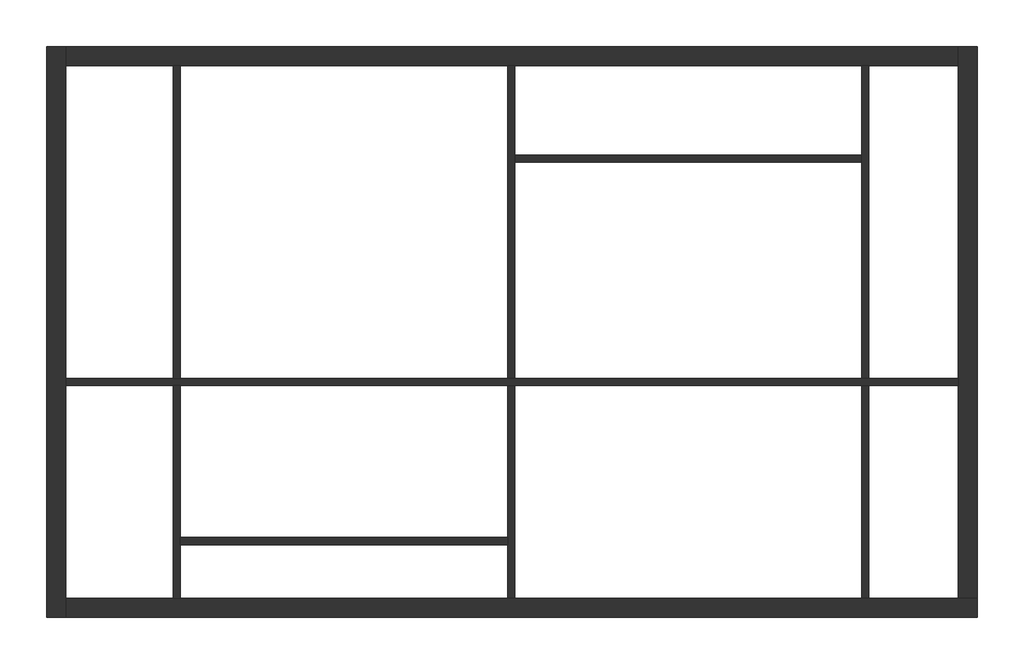
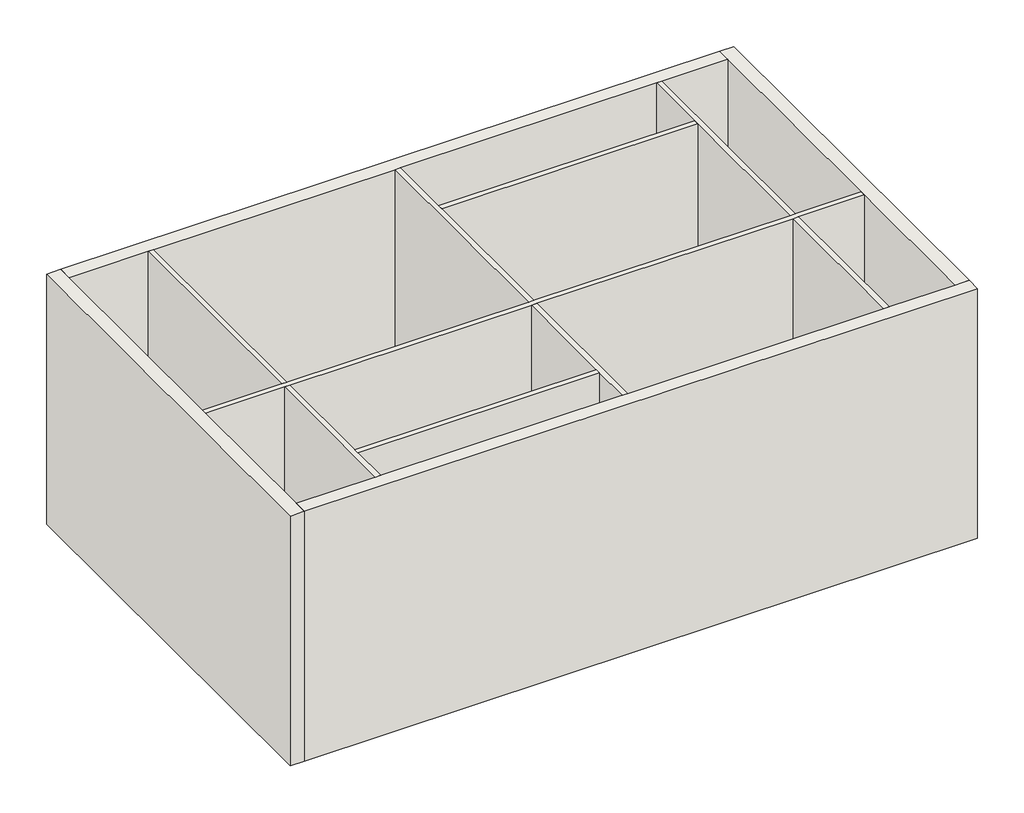
# One storey: 10 walls.
"""IFC4 building model written with IfcOpenShell, lengths in millimetres."""

import ifcopenshell
import ifcopenshell.guid

model = None  # the IFC model being written
_history = None  # IfcOwnerHistory: only IFC2X3 demands one
_inside = {}  # id of a spatial element -> (the spatial element, [elements in it])
_under = {}  # id of a project, library or spatial element -> (it, [spatial elements below it])
_declared = {}  # id of a project -> (the project, [libraries it declares])
_typed = {}  # id of a type object -> (the type object, [elements of that type])
_made_of = {}  # id of a material, layer set ... -> (it, [elements and type objects made of it])


def new_model(schema):
    """Start an empty IFC model of exactly this schema.

    Asked for "IFC4X3", IfcOpenShell would pick the latest addendum, in which some entities
    have other attributes; the version numbers below select the first issue.
    IFC2X3 requires an IfcOwnerHistory on every rooted entity: one is made here for all.
    """
    global model, _history
    if schema == "IFC4X3":
        model = ifcopenshell.file(schema_version=(4, 3, 0, 0))
    else:
        model = ifcopenshell.file(schema=schema)
    _inside.clear()
    _under.clear()
    _declared.clear()
    _typed.clear()
    _made_of.clear()
    _history = None
    if model.schema == "IFC2X3":
        org = make("IfcOrganization", Name="unknown")
        user = make(
            "IfcPersonAndOrganization",
            ThePerson=make("IfcPerson", FamilyName="unknown"),
            TheOrganization=org,
        )
        app = make(
            "IfcApplication",
            ApplicationDeveloper=org,
            Version="unknown",
            ApplicationFullName="unknown",
            ApplicationIdentifier="unknown",
        )
        _history = make(
            "IfcOwnerHistory",
            OwningUser=user,
            OwningApplication=app,
            ChangeAction="ADDED",
            CreationDate=0,
        )
    return model


def make(cls, **values):
    """One entity of the class cls with the attributes given. An attribute that is None is left unset."""
    return model.create_entity(
        cls, **{name: value for name, value in values.items() if value is not None}
    )


def rooted(cls, **values):
    """An entity with a GlobalId (a new one), such as an element, a storey or a relation."""
    return make(cls, GlobalId=ifcopenshell.guid.new(), OwnerHistory=_history, **values)


def si_unit(unit_type, name, prefix=None):
    """IfcSIUnit, for example si_unit("LENGTHUNIT", "METRE", prefix="MILLI")."""
    return make("IfcSIUnit", UnitType=unit_type, Prefix=prefix, Name=name)


def assignment(units):
    """IfcUnitAssignment: the units of a project."""
    return None if units is None else make("IfcUnitAssignment", Units=units)


def point(xyz):
    """IfcCartesianPoint."""
    return None if xyz is None else make("IfcCartesianPoint", Coordinates=xyz)


def direction(xyz):
    """IfcDirection."""
    return None if xyz is None else make("IfcDirection", DirectionRatios=xyz)


def frame(location, z_axis=None, x_axis=None):
    """IfcAxis2Placement3D, a coordinate frame: its origin and axes. An axis left out is left unset."""
    return make(
        "IfcAxis2Placement3D",
        Location=point(location),
        Axis=direction(z_axis),
        RefDirection=direction(x_axis),
    )


def origin():
    """The frame at (0, 0, 0) with its axes left unset."""
    return frame((0.0, 0.0, 0.0))


def place(relative_to, where):
    """IfcLocalPlacement: puts the frame where relative to a parent placement (None: the world)."""
    return make(
        "IfcLocalPlacement", PlacementRelTo=relative_to, RelativePlacement=where
    )


def context(
    kind, dimensions, precision=None, world=None, true_north=None, identifier=None
):
    """IfcGeometricRepresentationContext, for example the 3D "Model" context."""
    return make(
        "IfcGeometricRepresentationContext",
        ContextIdentifier=identifier,
        ContextType=kind,
        CoordinateSpaceDimension=dimensions,
        Precision=precision,
        WorldCoordinateSystem=world,
        TrueNorth=true_north,
    )


def project(units=None, contexts=None):
    """IfcProject with its units and contexts."""
    return rooted(
        "IfcProject",
        Name="project",
        RepresentationContexts=contexts,
        UnitsInContext=assignment(units),
    )


def spatial(cls, under=None, at=None, **own):
    """A site, building, storey or space (cls), placed at a placement, below another one or the project."""
    s = rooted(cls, ObjectPlacement=at, **own)
    if under is not None:
        _under.setdefault(under.id(), (under, []))[1].append(s)
    return s


def polyline(points):
    """IfcPolyline through the points."""
    return make("IfcPolyline", Points=[point(p) for p in points])


def outline(outer, holes=None, kind="AREA"):
    """IfcArbitraryClosedProfileDef: a profile drawn as a closed curve; with holes, ...WithVoids."""
    if holes is None:
        return make("IfcArbitraryClosedProfileDef", ProfileType=kind, OuterCurve=outer)
    return make(
        "IfcArbitraryProfileDefWithVoids",
        ProfileType=kind,
        OuterCurve=outer,
        InnerCurves=holes,
    )


def extrude(swept, where, along, depth):
    """IfcExtrudedAreaSolid: the profile swept, set in the frame where, extruded along a direction by depth."""
    return make(
        "IfcExtrudedAreaSolid",
        SweptArea=swept,
        Position=where,
        ExtrudedDirection=direction(along),
        Depth=depth,
    )


def faces_of(points, faces, orient=None, outer=None):
    """IfcFace entities. A face is a list of loops; a loop is a list of indices into points, from 0.

    orient and outer hold one flag for each loop. By default every Orientation is true, the
    first loop of a face is its IfcFaceOuterBound and the others are IfcFaceBound.
    """
    made = []
    for i, loops in enumerate(faces):
        bounds = []
        for j, loop in enumerate(loops):
            is_outer = j == 0 if outer is None else outer[i][j]
            bounds.append(
                make(
                    "IfcFaceOuterBound" if is_outer else "IfcFaceBound",
                    Bound=make("IfcPolyLoop", Polygon=[points[k] for k in loop]),
                    Orientation=True if orient is None else orient[i][j],
                )
            )
        made.append(make("IfcFace", Bounds=bounds))
    return made


def faceted_brep(points, faces, orient=None, outer=None, voids=None):
    """IfcFacetedBrep: a solid bounded by flat faces; with voids (closed shells), ...WithVoids."""
    shared = [point(p) for p in points]
    hull = make("IfcClosedShell", CfsFaces=faces_of(shared, faces, orient, outer))
    if voids is None:
        return make("IfcFacetedBrep", Outer=hull)
    return make(
        "IfcFacetedBrepWithVoids",
        Outer=hull,
        Voids=[
            make(cls, CfsFaces=faces_of(shared, fs, o, b)) for cls, fs, o, b in voids
        ],
    )


def shape(context_of_items, identifier, shape_type, items):
    """IfcShapeRepresentation: the items that make up one representation, for example the "Body"."""
    return make(
        "IfcShapeRepresentation",
        ContextOfItems=context_of_items,
        RepresentationIdentifier=identifier,
        RepresentationType=shape_type,
        Items=items,
    )


def made_of(thing, what):
    """Note that an element or type object is made of a material, layer set ...; save() writes the relation."""
    if what is not None:
        _made_of.setdefault(what.id(), (what, []))[1].append(thing)
    return thing


def element(
    cls,
    number,
    at=None,
    inside=None,
    cuts=None,
    type_object=None,
    material=None,
    context=None,
    identifier="Body",
    shape_type=None,
    held_by="IfcProductDefinitionShape",
    body=None,
    shapes=None,
    **own,
):
    """One element of the class cls, such as IfcWall. Its Tag is "e" and its number.

    at: its placement. inside: the storey or other place that contains it. cuts: it is an
    opening in that element (IfcRelVoidsElement). A single representation is given by context,
    identifier, shape_type and body (its items); several are given by shapes. held_by: the class
    of the entity that holds the representations. save() writes the other relations.
    """
    e = rooted(cls, Tag="e%d" % number, ObjectPlacement=at, **own)
    if body is not None:
        shapes = [shape(context, identifier, shape_type, body)]
    if shapes is not None:
        e.Representation = make(held_by, Representations=shapes)
    if inside is not None:
        _inside.setdefault(inside.id(), (inside, []))[1].append(e)
    if cuts is not None:
        rooted(
            "IfcRelVoidsElement", RelatingBuildingElement=cuts, RelatedOpeningElement=e
        )
    if type_object is not None:
        _typed.setdefault(type_object.id(), (type_object, []))[1].append(e)
    return made_of(e, material)


def aggregate(whole, parts):
    """IfcRelAggregates: a whole, such as a stair, and the parts it consists of."""
    return rooted("IfcRelAggregates", RelatingObject=whole, RelatedObjects=parts)


def save(model, path):
    """Write the relations noted so far, then the file.

    IfcRelAggregates (storeys below a building ...), IfcRelContainedInSpatialStructure (elements
    in a storey), IfcRelDefinesByType, IfcRelAssociatesMaterial and IfcRelDeclares: one each for
    every whole, place, type object, material and project.
    """
    for whole, parts in _under.values():
        aggregate(whole, parts)
    for where, things in _inside.values():
        rooted(
            "IfcRelContainedInSpatialStructure",
            RelatedElements=things,
            RelatingStructure=where,
        )
    for kind, things in _typed.values():
        rooted("IfcRelDefinesByType", RelatedObjects=things, RelatingType=kind)
    for what, things in _made_of.values():
        rooted("IfcRelAssociatesMaterial", RelatedObjects=things, RelatingMaterial=what)
    for by, libraries in _declared.values():
        rooted("IfcRelDeclares", RelatingContext=by, RelatedDefinitions=libraries)
    model.write(path)


model = new_model("IFC4")

# Units and contexts
model_context = context("Model", 3, world=origin())
ifc_project = project(units=[si_unit("LENGTHUNIT", "METRE", prefix="MILLI")], contexts=[model_context])

# Site, building, storey
site = spatial("IfcSite", under=ifc_project)
building = spatial("IfcBuilding", under=site)
storey = spatial("IfcBuildingStorey", under=building, Elevation=4000.0)

# Walls
placement = place(None, origin())
element("IfcWall", 1, at=placement, inside=storey, context=model_context, shape_type="Brep", body=[
    faceted_brep([(-3948.8295203, 13550.2038861, 4000.0), (-3948.8295203, 7162.2038861, 4000.0), (-3948.8295203, 7162.2038861, 8000.0), (-3948.8295203, 13550.2038861, 8000.0), (-3734.8295203, 13550.2038861, 4000.0), (-3734.8295203, 13550.2038861, 8000.0), (-3734.8295203, 13336.2038861, 8000.0), (-3734.8295203, 9836.2038861, 8000.0), (-3734.8295203, 9756.2038861, 8000.0), (-3734.8295203, 7376.2038861, 8000.0), (-3734.8295203, 7162.2038861, 8000.0), (-3734.8295203, 7162.2038861, 4000.0), (-3734.8295203, 7376.2038861, 4000.0), (-3734.8295203, 9756.2038861, 4000.0), (-3734.8295203, 9836.2038861, 4000.0), (-3734.8295203, 13336.2038861, 4000.0)], [[[0, 1, 2, 3]], [[4, 5, 6, 7, 8, 9, 10, 11, 12, 13, 14, 15]], [[1, 0, 4, 15, 14, 13, 12, 11]], [[3, 2, 10, 9, 8, 7, 6, 5]], [[0, 3, 5, 4]], [[2, 1, 11, 10]]]),
])
element("IfcWall", 2, at=placement, inside=storey, context=model_context, shape_type="Brep", body=[
    faceted_brep([(-3734.8295203, 7162.2038861, 4000.0), (6459.1704797, 7162.2038861, 4000.0), (6459.1704797, 7162.2038861, 8000.0), (-3734.8295203, 7162.2038861, 8000.0), (-3734.8295203, 7376.2038861, 4000.0), (-3734.8295203, 7376.2038861, 8000.0), (-2534.8295203, 7376.2038861, 8000.0), (-2454.8295203, 7376.2038861, 8000.0), (1205.1704797, 7376.2038861, 8000.0), (1285.1704797, 7376.2038861, 8000.0), (5165.1704797, 7376.2038861, 8000.0), (5245.1704797, 7376.2038861, 8000.0), (6245.1704797, 7376.2038861, 8000.0), (6459.1704797, 7376.2038861, 8000.0), (6459.1704797, 7376.2038861, 4000.0), (6245.1704797, 7376.2038861, 4000.0), (5245.1704797, 7376.2038861, 4000.0), (5165.1704797, 7376.2038861, 4000.0), (1285.1704797, 7376.2038861, 4000.0), (1205.1704797, 7376.2038861, 4000.0), (-2454.8295203, 7376.2038861, 4000.0), (-2534.8295203, 7376.2038861, 4000.0)], [[[0, 1, 2, 3]], [[4, 5, 6, 7, 8, 9, 10, 11, 12, 13, 14, 15, 16, 17, 18, 19, 20, 21]], [[1, 0, 4, 21, 20, 19, 18, 17, 16, 15, 14]], [[3, 2, 13, 12, 11, 10, 9, 8, 7, 6, 5]], [[2, 1, 14, 13]], [[0, 3, 5, 4]]]),
])
element("IfcWall", 3, at=placement, inside=storey, context=model_context, shape_type="Brep", body=[
    faceted_brep([(6459.1704797, 7376.2038861, 4000.0), (6459.1704797, 13550.2038861, 4000.0), (6459.1704797, 13550.2038861, 8000.0), (6459.1704797, 7376.2038861, 8000.0), (6245.1704797, 7376.2038861, 4000.0), (6245.1704797, 7376.2038861, 8000.0), (6245.1704797, 9756.2038861, 8000.0), (6245.1704797, 9836.2038861, 8000.0), (6245.1704797, 13336.2038861, 8000.0), (6245.1704797, 13550.2038861, 8000.0), (6245.1704797, 13550.2038861, 4000.0), (6245.1704797, 13336.2038861, 4000.0), (6245.1704797, 9836.2038861, 4000.0), (6245.1704797, 9756.2038861, 4000.0)], [[[0, 1, 2, 3]], [[4, 5, 6, 7, 8, 9, 10, 11, 12, 13]], [[1, 0, 4, 13, 12, 11, 10]], [[3, 2, 9, 8, 7, 6, 5]], [[2, 1, 10, 9]], [[0, 3, 5, 4]]]),
])
element("IfcWall", 4, at=placement, inside=storey, context=model_context, shape_type="Brep", body=[
    faceted_brep([(6245.1704797, 13550.2038861, 4000.0), (-3734.8295203, 13550.2038861, 4000.0), (-3734.8295203, 13550.2038861, 8000.0), (6245.1704797, 13550.2038861, 8000.0), (6245.1704797, 13336.2038861, 4000.0), (6245.1704797, 13336.2038861, 8000.0), (5245.1704797, 13336.2038861, 8000.0), (5165.1704797, 13336.2038861, 8000.0), (1285.1704797, 13336.2038861, 8000.0), (1205.1704797, 13336.2038861, 8000.0), (-2454.8295203, 13336.2038861, 8000.0), (-2534.8295203, 13336.2038861, 8000.0), (-3734.8295203, 13336.2038861, 8000.0), (-3734.8295203, 13336.2038861, 4000.0), (-2534.8295203, 13336.2038861, 4000.0), (-2454.8295203, 13336.2038861, 4000.0), (1205.1704797, 13336.2038861, 4000.0), (1285.1704797, 13336.2038861, 4000.0), (5165.1704797, 13336.2038861, 4000.0), (5245.1704797, 13336.2038861, 4000.0)], [[[0, 1, 2, 3]], [[4, 5, 6, 7, 8, 9, 10, 11, 12, 13, 14, 15, 16, 17, 18, 19]], [[1, 0, 4, 19, 18, 17, 16, 15, 14, 13]], [[3, 2, 12, 11, 10, 9, 8, 7, 6, 5]], [[0, 3, 5, 4]], [[2, 1, 13, 12]]]),
])
element("IfcWall", 5, at=placement, inside=storey, context=model_context, shape_type="Brep", body=[
    faceted_brep([(-3734.8295203, 9756.2038861, 4000.0), (-2534.8295203, 9756.2038861, 4000.0), (-2454.8295203, 9756.2038861, 4000.0), (1205.1704797, 9756.2038861, 4000.0), (1285.1704797, 9756.2038861, 4000.0), (5165.1704797, 9756.2038861, 4000.0), (5245.1704797, 9756.2038861, 4000.0), (6245.1704797, 9756.2038861, 4000.0), (6245.1704797, 9756.2038861, 8000.0), (5245.1704797, 9756.2038861, 8000.0), (5165.1704797, 9756.2038861, 8000.0), (1285.1704797, 9756.2038861, 8000.0), (1205.1704797, 9756.2038861, 8000.0), (-2454.8295203, 9756.2038861, 8000.0), (-2534.8295203, 9756.2038861, 8000.0), (-3734.8295203, 9756.2038861, 8000.0), (-3734.8295203, 9836.2038861, 4000.0), (-3734.8295203, 9836.2038861, 8000.0), (-2534.8295203, 9836.2038861, 8000.0), (-2454.8295203, 9836.2038861, 8000.0), (1205.1704797, 9836.2038861, 8000.0), (1285.1704797, 9836.2038861, 8000.0), (5165.1704797, 9836.2038861, 8000.0), (5245.1704797, 9836.2038861, 8000.0), (6245.1704797, 9836.2038861, 8000.0), (6245.1704797, 9836.2038861, 4000.0), (5245.1704797, 9836.2038861, 4000.0), (5165.1704797, 9836.2038861, 4000.0), (1285.1704797, 9836.2038861, 4000.0), (1205.1704797, 9836.2038861, 4000.0), (-2454.8295203, 9836.2038861, 4000.0), (-2534.8295203, 9836.2038861, 4000.0)], [[[0, 1, 2, 3, 4, 5, 6, 7, 8, 9, 10, 11, 12, 13, 14, 15]], [[16, 17, 18, 19, 20, 21, 22, 23, 24, 25, 26, 27, 28, 29, 30, 31]], [[7, 6, 5, 4, 3, 2, 1, 0, 16, 31, 30, 29, 28, 27, 26, 25]], [[15, 14, 13, 12, 11, 10, 9, 8, 24, 23, 22, 21, 20, 19, 18, 17]], [[0, 15, 17, 16]], [[8, 7, 25, 24]]]),
])
element("IfcWall", 6, at=placement, inside=storey, context=model_context, shape_type="Brep", body=[
    faceted_brep([(-2534.8295203, 13336.2038861, 8000.0), (-2534.8295203, 13336.2038861, 4000.0), (-2534.8295203, 9836.2038861, 4000.0), (-2534.8295203, 9836.2038861, 8000.0), (-2454.8295203, 13336.2038861, 4000.0), (-2454.8295203, 13336.2038861, 8000.0), (-2454.8295203, 9836.2038861, 8000.0), (-2454.8295203, 9836.2038861, 4000.0)], [[[0, 1, 2, 3]], [[4, 5, 6, 7]], [[1, 4, 7, 2]], [[5, 0, 3, 6]], [[1, 0, 5, 4]], [[3, 2, 7, 6]]]),
    faceted_brep([(-2534.8295203, 7376.2038861, 4000.0), (-2534.8295203, 7376.2038861, 8000.0), (-2534.8295203, 9756.2038861, 8000.0), (-2534.8295203, 9756.2038861, 4000.0), (-2454.8295203, 7376.2038861, 8000.0), (-2454.8295203, 7376.2038861, 4000.0), (-2454.8295203, 7976.2038861, 4000.0), (-2454.8295203, 8056.2038861, 4000.0), (-2454.8295203, 9756.2038861, 4000.0), (-2454.8295203, 9756.2038861, 8000.0), (-2454.8295203, 8056.2038861, 8000.0), (-2454.8295203, 7976.2038861, 8000.0)], [[[0, 1, 2, 3]], [[4, 5, 6, 7, 8, 9, 10, 11]], [[5, 0, 3, 8, 7, 6]], [[1, 4, 11, 10, 9, 2]], [[3, 2, 9, 8]], [[1, 0, 5, 4]]]),
])
element("IfcWall", 7, at=placement, inside=storey, context=model_context, shape_type="Brep", body=[
    faceted_brep([(1205.1704797, 13336.2038861, 8000.0), (1205.1704797, 13336.2038861, 4000.0), (1205.1704797, 9836.2038861, 4000.0), (1205.1704797, 9836.2038861, 8000.0), (1285.1704797, 13336.2038861, 4000.0), (1285.1704797, 13336.2038861, 8000.0), (1285.1704797, 12336.2038861, 8000.0), (1285.1704797, 12256.2038861, 8000.0), (1285.1704797, 9836.2038861, 8000.0), (1285.1704797, 9836.2038861, 4000.0), (1285.1704797, 12256.2038861, 4000.0), (1285.1704797, 12336.2038861, 4000.0)], [[[0, 1, 2, 3]], [[4, 5, 6, 7, 8, 9, 10, 11]], [[1, 4, 11, 10, 9, 2]], [[5, 0, 3, 8, 7, 6]], [[1, 0, 5, 4]], [[3, 2, 9, 8]]]),
    faceted_brep([(1205.1704797, 7376.2038861, 4000.0), (1205.1704797, 7376.2038861, 8000.0), (1205.1704797, 7976.2038861, 8000.0), (1205.1704797, 8056.2038861, 8000.0), (1205.1704797, 9756.2038861, 8000.0), (1205.1704797, 9756.2038861, 4000.0), (1205.1704797, 8056.2038861, 4000.0), (1205.1704797, 7976.2038861, 4000.0), (1285.1704797, 7376.2038861, 8000.0), (1285.1704797, 7376.2038861, 4000.0), (1285.1704797, 9756.2038861, 4000.0), (1285.1704797, 9756.2038861, 8000.0)], [[[0, 1, 2, 3, 4, 5, 6, 7]], [[8, 9, 10, 11]], [[9, 0, 7, 6, 5, 10]], [[1, 8, 11, 4, 3, 2]], [[5, 4, 11, 10]], [[1, 0, 9, 8]]]),
])
element("IfcWall", 8, at=placement, inside=storey, context=model_context, shape_type="Brep", body=[
    faceted_brep([(5165.1704797, 13336.2038861, 8000.0), (5165.1704797, 13336.2038861, 4000.0), (5165.1704797, 12336.2038861, 4000.0), (5165.1704797, 12256.2038861, 4000.0), (5165.1704797, 9836.2038861, 4000.0), (5165.1704797, 9836.2038861, 8000.0), (5165.1704797, 12256.2038861, 8000.0), (5165.1704797, 12336.2038861, 8000.0), (5245.1704797, 13336.2038861, 4000.0), (5245.1704797, 13336.2038861, 8000.0), (5245.1704797, 9836.2038861, 8000.0), (5245.1704797, 9836.2038861, 4000.0)], [[[0, 1, 2, 3, 4, 5, 6, 7]], [[8, 9, 10, 11]], [[1, 8, 11, 4, 3, 2]], [[9, 0, 7, 6, 5, 10]], [[1, 0, 9, 8]], [[5, 4, 11, 10]]]),
    faceted_brep([(5165.1704797, 7376.2038861, 4000.0), (5165.1704797, 7376.2038861, 8000.0), (5165.1704797, 9756.2038861, 8000.0), (5165.1704797, 9756.2038861, 4000.0), (5245.1704797, 7376.2038861, 8000.0), (5245.1704797, 7376.2038861, 4000.0), (5245.1704797, 9756.2038861, 4000.0), (5245.1704797, 9756.2038861, 8000.0)], [[[0, 1, 2, 3]], [[4, 5, 6, 7]], [[5, 0, 3, 6]], [[1, 4, 7, 2]], [[3, 2, 7, 6]], [[1, 0, 5, 4]]]),
])
element("IfcWall", 9, at=placement, inside=storey, context=model_context, shape_type="SweptSolid", body=[
    extrude(outline(polyline([(1205.1704797, 7976.2038861), (-2454.8295203, 7976.2038861), (-2454.8295203, 8056.2038861), (1205.1704797, 8056.2038861), (1205.1704797, 7976.2038861)])), frame((0.0, 0.0, 4000.0), z_axis=(0.0, 0.0, 1.0), x_axis=(1.0, 0.0, 0.0)), (0.0, 0.0, 1.0), 4000.0),
])
element("IfcWall", 10, at=placement, inside=storey, context=model_context, shape_type="SweptSolid", body=[
    extrude(outline(polyline([(5165.1704797, 12256.2038861), (1285.1704797, 12256.2038861), (1285.1704797, 12336.2038861), (5165.1704797, 12336.2038861), (5165.1704797, 12256.2038861)])), frame((0.0, 0.0, 4000.0), z_axis=(0.0, 0.0, 1.0), x_axis=(1.0, 0.0, 0.0)), (0.0, 0.0, 1.0), 4000.0),
])

save(model, "model.ifc")
